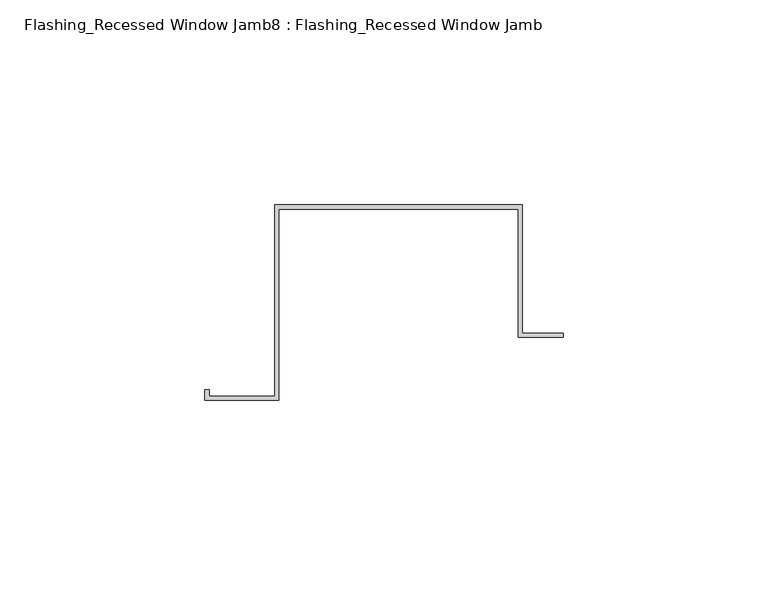
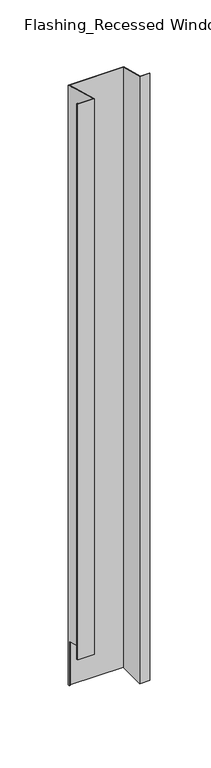
"""IFC4 building model written with IfcOpenShell, lengths in millimetres: proxy geometry, Flashing_Recessed Window Jamb8 : Flashing_Recessed Window Jamb."""

from ifc_helpers import new_model, si_unit, origin, place, context, project, spatial, faceted_brep, source, transform, mapped, element, save


def flashing_recessed_window_jamb8_flashing_recessed_window_jamb_61ea7542(model_context):
    return source(origin(), model_context, "Body", "Brep", [
        faceted_brep([(13485.8470781, 5626.4023812, -1036.7382524), (13485.8470781, 5657.7344915, -1036.7382524), (13427.4791786, 5657.7344915, -1036.7382524), (13427.4791786, 5656.8026399, -1036.7382524), (13426.4791786, 5656.8026399, -1036.7382524), (13426.4791786, 5658.7344915, -1036.7382524), (13486.8470781, 5658.7344915, -1036.7382524), (13486.8470781, 5627.4023812, -1036.7382524), (13496.8470781, 5627.4023812, -1036.7382524), (13496.8470781, 5626.4023812, -1036.7382524), (13486.8470781, 5658.7344915, -343.2151173), (13486.8470781, 5627.4023812, -334.8197037), (13426.4791786, 5658.7344915, -343.2151173), (13426.4791786, 5656.8026399, -985.662203), (13426.4791786, 5612.0490096, -973.6705039), (13426.4791786, 5612.0490096, -330.7057801), (13410.4479286, 5612.0490096, -330.7057801), (13410.4479286, 5612.0490096, -973.6705039), (13410.4479286, 5613.5934881, -331.1196219), (13410.4479286, 5613.5934881, -974.0843457), (13409.4479286, 5613.5934881, -331.1196219), (13409.4479286, 5613.5934881, -974.0843457), (13409.4479286, 5611.0490096, -330.4378309), (13409.4479286, 5611.0490096, -973.4025548), (13427.4791786, 5611.0490096, -330.4378309), (13427.4791786, 5611.0490096, -973.4025548), (13427.4791786, 5657.7344915, -342.9471681), (13427.4791786, 5656.8026399, -985.662203), (13485.8470781, 5657.7344915, -342.9471681), (13485.8470781, 5626.4023812, -334.5517545), (13496.8470781, 5626.4023812, -334.5517545), (13496.8470781, 5627.4023812, -334.8197037)], [[[0, 1, 2, 3, 4, 5, 6, 7, 8, 9]], [[7, 6, 10, 11]], [[6, 5, 12, 10]], [[12, 5, 4, 13, 14, 15]], [[16, 15, 14, 17]], [[18, 16, 17, 19]], [[20, 18, 19, 21]], [[22, 20, 21, 23]], [[24, 22, 23, 25]], [[2, 26, 24, 25, 27, 3]], [[2, 1, 28, 26]], [[1, 0, 29, 28]], [[0, 9, 30, 29]], [[9, 8, 31, 30]], [[8, 7, 11, 31]], [[11, 10, 12, 15, 16, 18, 20, 22, 24, 26, 28, 29, 30, 31]], [[13, 27, 25, 23, 21, 19, 17, 14]], [[27, 13, 4, 3]]]),
    ])


if __name__ == "__main__":
    model = new_model("IFC4")
    model_context = context("Model", 3, world=origin())
    ifc_project = project(units=[si_unit("LENGTHUNIT", "METRE", prefix="MILLI")], contexts=[model_context])
    site = spatial("IfcSite", under=ifc_project)
    building = spatial("IfcBuilding", under=site)
    placement = place(None, origin())
    flashing_recessed_window_jamb8_flashing_recessed_window_jamb_shape = flashing_recessed_window_jamb8_flashing_recessed_window_jamb_61ea7542(model_context)
    element("IfcBuildingElementProxy", 1, Name="Flashing_Recessed Window Jamb8 : Flashing_Recessed Window Jamb", ObjectType="Flashing_Recessed Window Jamb8 : Flashing_Recessed Window Jamb", at=placement, inside=building, context=model_context, shape_type="MappedRepresentation", body=[
        mapped(flashing_recessed_window_jamb8_flashing_recessed_window_jamb_shape, transform((0.0, 0.0, 0.0), x_axis=(1.0, 0.0, 0.0), y_axis=(0.0, 1.0, 0.0), z_axis=(0.0, 0.0, 1.0))),
    ])
    save(model, "model.ifc")
